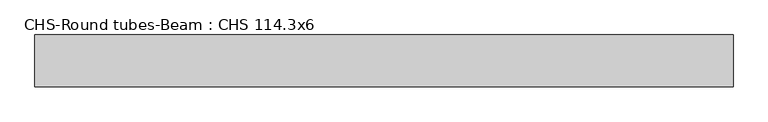
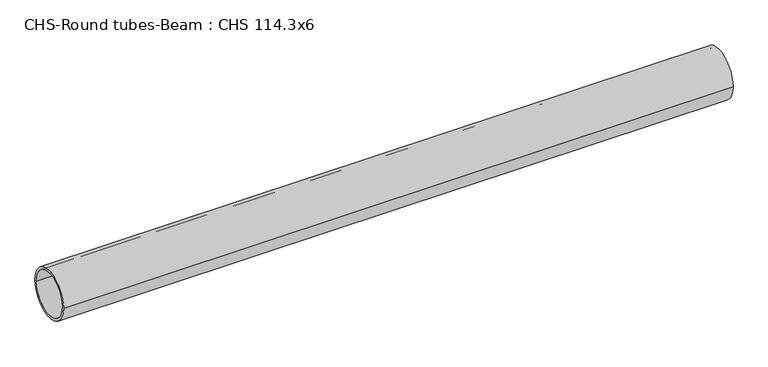
"""IFC4 building model written with IfcOpenShell, lengths in millimetres: beam geometry, CHS-Round tubes-Beam : CHS 114.3x6."""

from ifc_helpers import new_model, si_unit, point, frame, origin, origin_2d, place, context, project, spatial, circle_curve, trimmed, segment, composite_curve, outline, extrude, source, transform, mapped, element, save


def chs_round_tubes_beam_chs_114_3x6_68b9c0cc(model_context):
    return source(origin(), model_context, "Body", "SweptSolid", [
        extrude(outline(composite_curve([segment(trimmed(circle_curve(origin_2d(), 57.15), [point((57.15, 0.0))], [point((-57.15, 0.0))], False, "CARTESIAN"), True, "CONTINUOUS"), segment(trimmed(circle_curve(origin_2d(), 57.15), [point((-57.15, 0.0))], [point((57.15, 0.0))], False, "CARTESIAN"), True, "CONTINUOUS")], self_intersect=False), holes=[composite_curve([segment(trimmed(circle_curve(origin_2d(), 51.15), [point((51.15, 0.0))], [point((-51.15, 0.0))], True, "CARTESIAN"), True, "CONTINUOUS"), segment(trimmed(circle_curve(origin_2d(), 51.15), [point((-51.15, 0.0))], [point((51.15, 0.0))], True, "CARTESIAN"), True, "CONTINUOUS")], self_intersect=False)]), frame((-761.1190754, 0.0, 0.0), z_axis=(1.0, 0.0, 0.0), x_axis=(0.0, 1.0, 0.0)), (0.0, 0.0, 1.0), 1539.8331091),
    ])


if __name__ == "__main__":
    model = new_model("IFC4")
    model_context = context("Model", 3, world=origin())
    ifc_project = project(units=[si_unit("LENGTHUNIT", "METRE", prefix="MILLI")], contexts=[model_context])
    site = spatial("IfcSite", under=ifc_project)
    building = spatial("IfcBuilding", under=site)
    placement = place(None, origin())
    chs_round_tubes_beam_chs_114_3x6_shape = chs_round_tubes_beam_chs_114_3x6_68b9c0cc(model_context)
    element("IfcBeam", 1, ObjectType="CHS-Round tubes-Beam : CHS 114.3x6", at=placement, inside=building, context=model_context, shape_type="MappedRepresentation", body=[
        mapped(chs_round_tubes_beam_chs_114_3x6_shape, transform((0.0, 0.0, 0.0), x_axis=(1.0, 0.0, 0.0), y_axis=(0.0, 1.0, 0.0), z_axis=(0.0, 0.0, 1.0))),
    ])
    save(model, "model.ifc")
